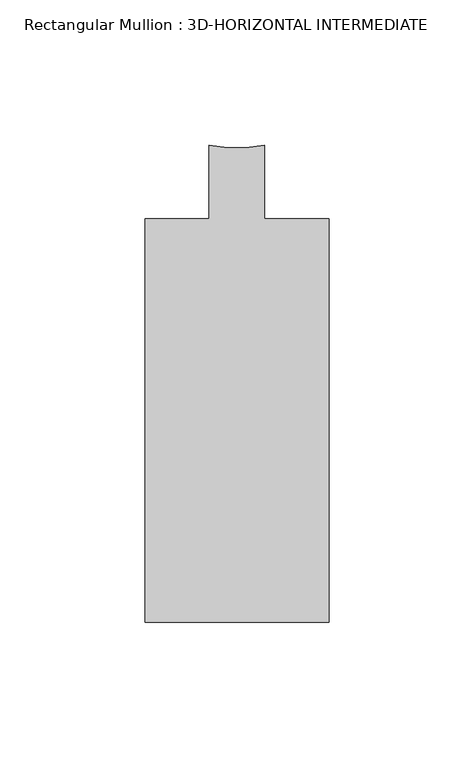
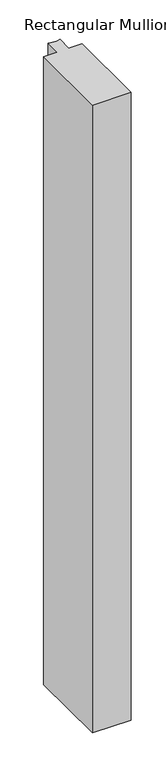
"""IFC4 building model written with IfcOpenShell, lengths in millimetres: member geometry, Rectangular Mullion : 3D-HORIZONTAL INTERMEDIATE."""

from ifc_helpers import new_model, si_unit, point, frame, frame_2d, origin, place, context, project, spatial, polyline, circle_curve, trimmed, segment, composite_curve, outline, extrude, source, transform, mapped, element, save


def rectangular_mullion_3d_horizontal_intermediate_51edfd46(model_context):
    return source(origin(), model_context, "Body", "SweptSolid", [
        extrude(outline(composite_curve([segment(polyline([(-31.75, -27.8368125), (-9.5251132, -27.8368125), (-9.5251132, -2.4368125)]), True, "CONTINUOUS"), segment(trimmed(circle_curve(frame_2d((0.0, 38.2587718)), 41.7954347), [point((-9.5251132, -2.4368125))], [point((9.5251132, -2.4368125))], True, "CARTESIAN"), True, "CONTINUOUS"), segment(polyline([(9.5251132, -2.4368125), (9.5251132, -27.8368125), (31.75, -27.8368125), (31.75, -167.0288125), (-31.75, -167.0288125), (-31.75, -27.8368125)]), True, "CONTINUOUS")], self_intersect=False)), frame((0.0, 0.0, -1094.7559691), z_axis=(0.0, 0.0, 1.0), x_axis=(1.0, 0.0, 0.0)), (0.0, 0.0, 1.0), 1094.7559691),
    ])


if __name__ == "__main__":
    model = new_model("IFC4")
    model_context = context("Model", 3, world=origin())
    ifc_project = project(units=[si_unit("LENGTHUNIT", "METRE", prefix="MILLI")], contexts=[model_context])
    site = spatial("IfcSite", under=ifc_project)
    building = spatial("IfcBuilding", under=site)
    placement = place(None, origin())
    rectangular_mullion_3d_horizontal_intermediate_shape = rectangular_mullion_3d_horizontal_intermediate_51edfd46(model_context)
    element("IfcMember", 1, ObjectType="Rectangular Mullion : 3D-HORIZONTAL INTERMEDIATE", at=placement, inside=building, context=model_context, shape_type="MappedRepresentation", body=[
        mapped(rectangular_mullion_3d_horizontal_intermediate_shape, transform((0.0, 0.0, 0.0), x_axis=(1.0, 0.0, 0.0), y_axis=(0.0, 1.0, 0.0), z_axis=(0.0, 0.0, 1.0))),
    ])
    save(model, "model.ifc")
